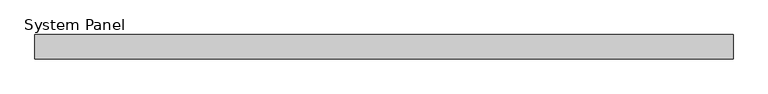
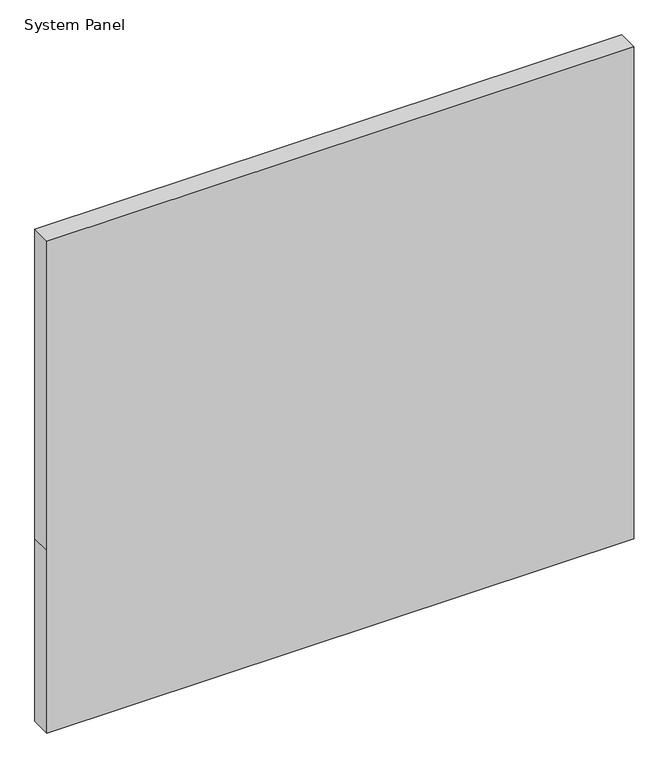
"""IFC4 building model written with IfcOpenShell, lengths in millimetres: plate geometry, System Panel."""

from ifc_helpers import new_model, si_unit, frame, origin, place, context, project, spatial, polyline, outline, extrude, source, transform, mapped, element, save


def system_panel_0d15e9ed(model_context):
    return source(origin(), model_context, "Body", "SweptSolid", [
        extrude(outline(polyline([(0.0, -570.0), (0.0, 570.0), (375.0, 570.0), (1010.0, 570.0), (1010.0, -570.0), (375.0, -570.0), (0.0, -570.0)])), frame((0.0, 14.0, 0.0), z_axis=(0.0, 1.0, 0.0), x_axis=(0.0, 0.0, 1.0)), (0.0, 0.0, 1.0), 40.0),
    ])


if __name__ == "__main__":
    model = new_model("IFC4")
    model_context = context("Model", 3, world=origin())
    ifc_project = project(units=[si_unit("LENGTHUNIT", "METRE", prefix="MILLI")], contexts=[model_context])
    site = spatial("IfcSite", under=ifc_project)
    building = spatial("IfcBuilding", under=site)
    placement = place(None, origin())
    system_panel_shape = system_panel_0d15e9ed(model_context)
    element("IfcPlate", 1, ObjectType="System Panel", at=placement, inside=building, context=model_context, shape_type="MappedRepresentation", body=[
        mapped(system_panel_shape, transform((0.0, 0.0, 0.0), x_axis=(1.0, 0.0, 0.0), y_axis=(0.0, 1.0, 0.0), z_axis=(0.0, 0.0, 1.0))),
    ])
    save(model, "model.ifc")
